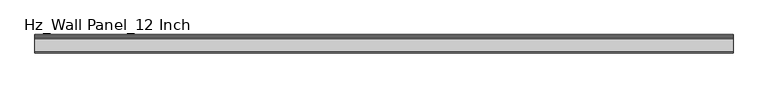
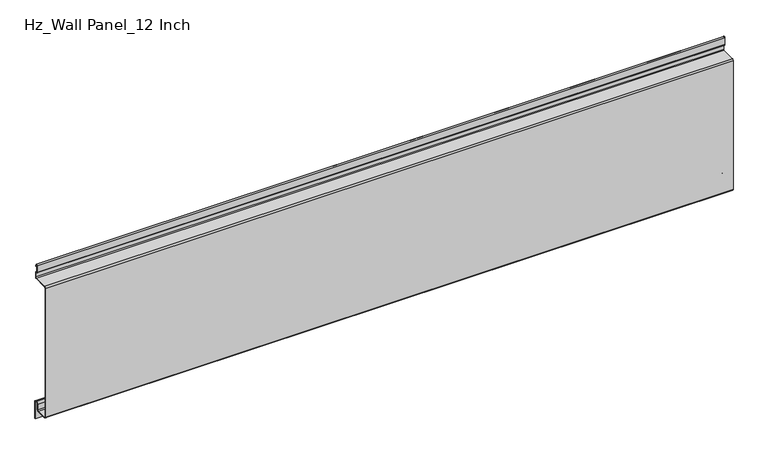
"""IFC4 building model written with IfcOpenShell, lengths in millimetres: plate geometry, Hz_Wall Panel_12 Inch."""

import ifcopenshell
import ifcopenshell.guid

model = None  # the IFC model being written
_history = None  # IfcOwnerHistory: only IFC2X3 demands one
_inside = {}  # id of a spatial element -> (the spatial element, [elements in it])
_under = {}  # id of a project, library or spatial element -> (it, [spatial elements below it])
_declared = {}  # id of a project -> (the project, [libraries it declares])
_typed = {}  # id of a type object -> (the type object, [elements of that type])
_made_of = {}  # id of a material, layer set ... -> (it, [elements and type objects made of it])


def new_model(schema):
    """Start an empty IFC model of exactly this schema.

    Asked for "IFC4X3", IfcOpenShell would pick the latest addendum, in which some entities
    have other attributes; the version numbers below select the first issue.
    IFC2X3 requires an IfcOwnerHistory on every rooted entity: one is made here for all.
    """
    global model, _history
    if schema == "IFC4X3":
        model = ifcopenshell.file(schema_version=(4, 3, 0, 0))
    else:
        model = ifcopenshell.file(schema=schema)
    _inside.clear()
    _under.clear()
    _declared.clear()
    _typed.clear()
    _made_of.clear()
    _history = None
    if model.schema == "IFC2X3":
        org = make("IfcOrganization", Name="unknown")
        user = make(
            "IfcPersonAndOrganization",
            ThePerson=make("IfcPerson", FamilyName="unknown"),
            TheOrganization=org,
        )
        app = make(
            "IfcApplication",
            ApplicationDeveloper=org,
            Version="unknown",
            ApplicationFullName="unknown",
            ApplicationIdentifier="unknown",
        )
        _history = make(
            "IfcOwnerHistory",
            OwningUser=user,
            OwningApplication=app,
            ChangeAction="ADDED",
            CreationDate=0,
        )
    return model


def make(cls, **values):
    """One entity of the class cls with the attributes given. An attribute that is None is left unset."""
    return model.create_entity(
        cls, **{name: value for name, value in values.items() if value is not None}
    )


def rooted(cls, **values):
    """An entity with a GlobalId (a new one), such as an element, a storey or a relation."""
    return make(cls, GlobalId=ifcopenshell.guid.new(), OwnerHistory=_history, **values)


def si_unit(unit_type, name, prefix=None):
    """IfcSIUnit, for example si_unit("LENGTHUNIT", "METRE", prefix="MILLI")."""
    return make("IfcSIUnit", UnitType=unit_type, Prefix=prefix, Name=name)


def assignment(units):
    """IfcUnitAssignment: the units of a project."""
    return None if units is None else make("IfcUnitAssignment", Units=units)


def point(xyz):
    """IfcCartesianPoint."""
    return None if xyz is None else make("IfcCartesianPoint", Coordinates=xyz)


def direction(xyz):
    """IfcDirection."""
    return None if xyz is None else make("IfcDirection", DirectionRatios=xyz)


def frame(location, z_axis=None, x_axis=None):
    """IfcAxis2Placement3D, a coordinate frame: its origin and axes. An axis left out is left unset."""
    return make(
        "IfcAxis2Placement3D",
        Location=point(location),
        Axis=direction(z_axis),
        RefDirection=direction(x_axis),
    )


def frame_2d(location, x_axis=None):
    """IfcAxis2Placement2D, a coordinate frame in the plane: its origin and x axis."""
    return make(
        "IfcAxis2Placement2D", Location=point(location), RefDirection=direction(x_axis)
    )


def origin():
    """The frame at (0, 0, 0) with its axes left unset."""
    return frame((0.0, 0.0, 0.0))


def place(relative_to, where):
    """IfcLocalPlacement: puts the frame where relative to a parent placement (None: the world)."""
    return make(
        "IfcLocalPlacement", PlacementRelTo=relative_to, RelativePlacement=where
    )


def context(
    kind, dimensions, precision=None, world=None, true_north=None, identifier=None
):
    """IfcGeometricRepresentationContext, for example the 3D "Model" context."""
    return make(
        "IfcGeometricRepresentationContext",
        ContextIdentifier=identifier,
        ContextType=kind,
        CoordinateSpaceDimension=dimensions,
        Precision=precision,
        WorldCoordinateSystem=world,
        TrueNorth=true_north,
    )


def project(units=None, contexts=None):
    """IfcProject with its units and contexts."""
    return rooted(
        "IfcProject",
        Name="project",
        RepresentationContexts=contexts,
        UnitsInContext=assignment(units),
    )


def spatial(cls, under=None, at=None, **own):
    """A site, building, storey or space (cls), placed at a placement, below another one or the project."""
    s = rooted(cls, ObjectPlacement=at, **own)
    if under is not None:
        _under.setdefault(under.id(), (under, []))[1].append(s)
    return s


def polyline(points):
    """IfcPolyline through the points."""
    return make("IfcPolyline", Points=[point(p) for p in points])


def circle_curve(where, radius):
    """IfcCircle in the frame where."""
    return make("IfcCircle", Position=where, Radius=radius)


def trimmed(basis, trim1, trim2, sense, master):
    """IfcTrimmedCurve: the piece of a basis curve between two trims."""
    return make(
        "IfcTrimmedCurve",
        BasisCurve=basis,
        Trim1=trim1,
        Trim2=trim2,
        SenseAgreement=sense,
        MasterRepresentation=master,
    )


def segment(curve, same_sense, transition):
    """IfcCompositeCurveSegment."""
    return make(
        "IfcCompositeCurveSegment",
        Transition=transition,
        SameSense=same_sense,
        ParentCurve=curve,
    )


def composite_curve(segments, self_intersect=None):
    """IfcCompositeCurve: segments joined end to end."""
    return make("IfcCompositeCurve", Segments=segments, SelfIntersect=self_intersect)


def outline(outer, holes=None, kind="AREA"):
    """IfcArbitraryClosedProfileDef: a profile drawn as a closed curve; with holes, ...WithVoids."""
    if holes is None:
        return make("IfcArbitraryClosedProfileDef", ProfileType=kind, OuterCurve=outer)
    return make(
        "IfcArbitraryProfileDefWithVoids",
        ProfileType=kind,
        OuterCurve=outer,
        InnerCurves=holes,
    )


def extrude(swept, where, along, depth):
    """IfcExtrudedAreaSolid: the profile swept, set in the frame where, extruded along a direction by depth."""
    return make(
        "IfcExtrudedAreaSolid",
        SweptArea=swept,
        Position=where,
        ExtrudedDirection=direction(along),
        Depth=depth,
    )


def shape(context_of_items, identifier, shape_type, items):
    """IfcShapeRepresentation: the items that make up one representation, for example the "Body"."""
    return make(
        "IfcShapeRepresentation",
        ContextOfItems=context_of_items,
        RepresentationIdentifier=identifier,
        RepresentationType=shape_type,
        Items=items,
    )


def source(mapping_origin, context_of_items, identifier, shape_type, items):
    """IfcRepresentationMap: a shape defined once, which mapped items show again and again."""
    return make(
        "IfcRepresentationMap",
        MappingOrigin=mapping_origin,
        MappedRepresentation=shape(context_of_items, identifier, shape_type, items),
    )


def transform(
    local_origin,
    x_axis=None,
    y_axis=None,
    z_axis=None,
    scale=None,
    scale2=None,
    scale3=None,
    uniform=True,
):
    """IfcCartesianTransformationOperator3D, or its non-uniform kind. x_axis, y_axis, z_axis: its Axis1, 2, 3."""
    if uniform:
        return make(
            "IfcCartesianTransformationOperator3D",
            Axis1=direction(x_axis),
            Axis2=direction(y_axis),
            LocalOrigin=point(local_origin),
            Scale=scale,
            Axis3=direction(z_axis),
        )
    return make(
        "IfcCartesianTransformationOperator3DnonUniform",
        Axis1=direction(x_axis),
        Axis2=direction(y_axis),
        LocalOrigin=point(local_origin),
        Scale=scale,
        Axis3=direction(z_axis),
        Scale2=scale2,
        Scale3=scale3,
    )


def mapped(mapping_source, mapping_target):
    """IfcMappedItem: shows the shape of a source again, moved by a transform."""
    return make(
        "IfcMappedItem", MappingSource=mapping_source, MappingTarget=mapping_target
    )


def made_of(thing, what):
    """Note that an element or type object is made of a material, layer set ...; save() writes the relation."""
    if what is not None:
        _made_of.setdefault(what.id(), (what, []))[1].append(thing)
    return thing


def element(
    cls,
    number,
    at=None,
    inside=None,
    cuts=None,
    type_object=None,
    material=None,
    context=None,
    identifier="Body",
    shape_type=None,
    held_by="IfcProductDefinitionShape",
    body=None,
    shapes=None,
    **own,
):
    """One element of the class cls, such as IfcWall. Its Tag is "e" and its number.

    at: its placement. inside: the storey or other place that contains it. cuts: it is an
    opening in that element (IfcRelVoidsElement). A single representation is given by context,
    identifier, shape_type and body (its items); several are given by shapes. held_by: the class
    of the entity that holds the representations. save() writes the other relations.
    """
    e = rooted(cls, Tag="e%d" % number, ObjectPlacement=at, **own)
    if body is not None:
        shapes = [shape(context, identifier, shape_type, body)]
    if shapes is not None:
        e.Representation = make(held_by, Representations=shapes)
    if inside is not None:
        _inside.setdefault(inside.id(), (inside, []))[1].append(e)
    if cuts is not None:
        rooted(
            "IfcRelVoidsElement", RelatingBuildingElement=cuts, RelatedOpeningElement=e
        )
    if type_object is not None:
        _typed.setdefault(type_object.id(), (type_object, []))[1].append(e)
    return made_of(e, material)


def aggregate(whole, parts):
    """IfcRelAggregates: a whole, such as a stair, and the parts it consists of."""
    return rooted("IfcRelAggregates", RelatingObject=whole, RelatedObjects=parts)


def save(model, path):
    """Write the relations noted so far, then the file.

    IfcRelAggregates (storeys below a building ...), IfcRelContainedInSpatialStructure (elements
    in a storey), IfcRelDefinesByType, IfcRelAssociatesMaterial and IfcRelDeclares: one each for
    every whole, place, type object, material and project.
    """
    for whole, parts in _under.values():
        aggregate(whole, parts)
    for where, things in _inside.values():
        rooted(
            "IfcRelContainedInSpatialStructure",
            RelatedElements=things,
            RelatingStructure=where,
        )
    for kind, things in _typed.values():
        rooted("IfcRelDefinesByType", RelatedObjects=things, RelatingType=kind)
    for what, things in _made_of.values():
        rooted("IfcRelAssociatesMaterial", RelatedObjects=things, RelatingMaterial=what)
    for by, libraries in _declared.values():
        rooted("IfcRelDeclares", RelatingContext=by, RelatedDefinitions=libraries)
    model.write(path)


def hz_wall_panel_12_inch_983e41ee(model_context):
    return source(origin(), model_context, "Body", "SweptSolid", [
        extrude(outline(composite_curve([segment(trimmed(circle_curve(frame_2d((-34.70689, 289.079134)), 3.29311), [point((-38.0, 289.079134))], [point((-34.70689, 292.372244))], False, "CARTESIAN"), True, "CONTINUOUS"), segment(polyline([(-34.70689, 292.372244), (-4.6804414, 292.372244)]), True, "CONTINUOUS"), segment(trimmed(circle_curve(frame_2d((-4.6804414, 293.9612174)), 1.5889734), [point((-4.6804414, 292.372244))], [point((-3.091468, 293.9612174))], True, "CARTESIAN"), True, "CONTINUOUS"), segment(polyline([(-3.091468, 293.9612174), (-3.091468, 303.2121651)]), True, "CONTINUOUS"), segment(trimmed(circle_curve(frame_2d((-4.6804414, 303.2121651)), 1.5889734), [point((-3.091468, 303.2121651))], [point((-4.5031105, 304.7912123))], True, "CARTESIAN"), True, "CONTINUOUS"), segment(polyline([(-4.5031105, 304.7912123), (-5.6003442, 304.8272079)]), True, "CONTINUOUS"), segment(trimmed(circle_curve(frame_2d((-5.2325612, 307.29936)), 2.49936), [point((-5.6003442, 304.8272079))], [point((-7.7318827, 307.2854884))], False, "CARTESIAN"), True, "CONTINUOUS"), segment(polyline([(-7.7318827, 307.2854884), (-7.7318827, 322.2498701)]), True, "CONTINUOUS"), segment(trimmed(circle_curve(frame_2d((-6.0433563, 322.2375673)), 1.6885712), [point((-7.7318827, 322.2498701))], [point((-4.5270179, 322.9805278))], False, "CARTESIAN"), True, "CONTINUOUS"), segment(polyline([(-4.5270179, 322.9805278), (-2.747209, 318.4777345), (-3.4911982, 318.1836596), (-5.2575023, 322.6522866)]), True, "CONTINUOUS"), segment(trimmed(circle_curve(frame_2d((-6.0433563, 322.2375673)), 0.8885712), [point((-5.2575023, 322.6522866))], [point((-6.9318827, 322.2464919))], True, "CARTESIAN"), True, "CONTINUOUS"), segment(polyline([(-6.9318827, 322.2464919), (-6.9318827, 307.2879219)]), True, "CONTINUOUS"), segment(trimmed(circle_curve(frame_2d((-5.2325612, 307.29936)), 1.69936), [point((-6.9318827, 307.2879219))], [point((-5.4826235, 305.6184991))], True, "CARTESIAN"), True, "CONTINUOUS"), segment(polyline([(-5.4826235, 305.6184991), (-4.1312816, 305.5371634)]), True, "CONTINUOUS"), segment(trimmed(circle_curve(frame_2d((-4.6804414, 303.2121651)), 2.3889734), [point((-4.1312816, 305.5371634))], [point((-2.291468, 303.2121651))], False, "CARTESIAN"), True, "CONTINUOUS"), segment(polyline([(-2.291468, 303.2121651), (-2.291468, 293.9612174)]), True, "CONTINUOUS"), segment(trimmed(circle_curve(frame_2d((-4.6804414, 293.9612174)), 2.3889734), [point((-2.291468, 293.9612174))], [point((-4.6804414, 291.572244))], False, "CARTESIAN"), True, "CONTINUOUS"), segment(polyline([(-4.6804414, 291.572244), (-34.70689, 291.572244)]), True, "CONTINUOUS"), segment(trimmed(circle_curve(frame_2d((-34.70689, 289.079134)), 2.49311), [point((-34.70689, 291.572244))], [point((-37.2, 289.079134))], True, "CARTESIAN"), True, "CONTINUOUS"), segment(polyline([(-37.2, 289.079134), (-37.2, 3.29311)]), True, "CONTINUOUS"), segment(trimmed(circle_curve(frame_2d((-34.70689, 3.29311)), 2.49311), [point((-37.2, 3.29311))], [point((-34.70689, 0.8))], True, "CARTESIAN"), True, "CONTINUOUS"), segment(polyline([(-34.70689, 0.8), (-12.42347, 0.8)]), True, "CONTINUOUS"), segment(trimmed(circle_curve(frame_2d((-12.42347, 3.175)), 2.375), [point((-12.42347, 0.8))], [point((-10.04847, 3.175))], True, "CARTESIAN"), True, "CONTINUOUS"), segment(polyline([(-10.04847, 3.175), (-10.04847, 14.707235)]), True, "CONTINUOUS"), segment(trimmed(circle_curve(frame_2d((-6.07347, 14.707235)), 3.975), [point((-10.04847, 14.707235))], [point((-6.07347, 18.682235))], False, "CARTESIAN"), True, "CONTINUOUS"), segment(polyline([(-6.07347, 18.682235), (-3.975, 18.682235)]), True, "CONTINUOUS"), segment(trimmed(circle_curve(frame_2d((-3.975, 14.707235)), 3.975), [point((-3.975, 18.682235))], [point((0.0, 14.707235))], False, "CARTESIAN"), True, "CONTINUOUS"), segment(polyline([(0.0, 14.707235), (0.0, -22.480905), (-0.8, -22.480905), (-0.8, 14.707235)]), True, "CONTINUOUS"), segment(trimmed(circle_curve(frame_2d((-3.975, 14.707235)), 3.175), [point((-0.8, 14.707235))], [point((-3.975, 17.882235))], True, "CARTESIAN"), True, "CONTINUOUS"), segment(polyline([(-3.975, 17.882235), (-6.07347, 17.882235)]), True, "CONTINUOUS"), segment(trimmed(circle_curve(frame_2d((-6.07347, 14.707235)), 3.175), [point((-6.07347, 17.882235))], [point((-9.24847, 14.707235))], True, "CARTESIAN"), True, "CONTINUOUS"), segment(polyline([(-9.24847, 14.707235), (-9.24847, 3.175)]), True, "CONTINUOUS"), segment(trimmed(circle_curve(frame_2d((-12.42347, 3.175)), 3.175), [point((-9.24847, 3.175))], [point((-12.42347, 0.0))], False, "CARTESIAN"), True, "CONTINUOUS"), segment(polyline([(-12.42347, 0.0), (-34.70689, 0.0)]), True, "CONTINUOUS"), segment(trimmed(circle_curve(frame_2d((-34.70689, 3.29311)), 3.29311), [point((-34.70689, 0.0))], [point((-38.0, 3.29311))], False, "CARTESIAN"), True, "CONTINUOUS"), segment(polyline([(-38.0, 3.29311), (-38.0, 289.079134)]), True, "CONTINUOUS")], self_intersect=False)), frame((-723.9042608, 0.0, 0.0), z_axis=(1.0, 0.0, 0.0), x_axis=(0.0, 1.0, 0.0)), (0.0, 0.0, 1.0), 1447.8085217),
    ])


if __name__ == "__main__":
    model = new_model("IFC4")
    model_context = context("Model", 3, world=origin())
    ifc_project = project(units=[si_unit("LENGTHUNIT", "METRE", prefix="MILLI")], contexts=[model_context])
    site = spatial("IfcSite", under=ifc_project)
    building = spatial("IfcBuilding", under=site)
    placement = place(None, origin())
    hz_wall_panel_12_inch_shape = hz_wall_panel_12_inch_983e41ee(model_context)
    element("IfcPlate", 1, ObjectType="Hz_Wall Panel_12 Inch", at=placement, inside=building, context=model_context, shape_type="MappedRepresentation", body=[
        mapped(hz_wall_panel_12_inch_shape, transform((0.0, 0.0, 0.0), x_axis=(1.0, 0.0, 0.0), y_axis=(0.0, 1.0, 0.0), z_axis=(0.0, 0.0, 1.0))),
    ])
    save(model, "model.ifc")
